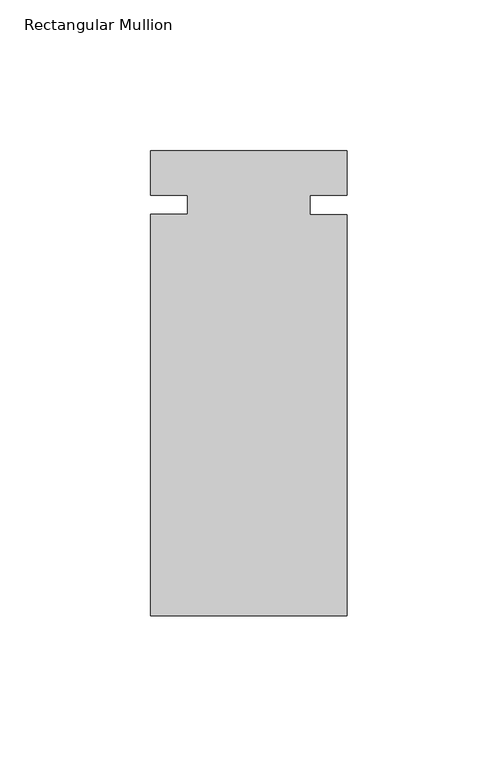
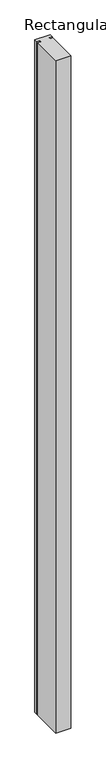
"""IFC4 building model written with IfcOpenShell, lengths in millimetres: member geometry, Rectangular Mullion."""

import ifcopenshell
import ifcopenshell.guid

model = None  # the IFC model being written
_history = None  # IfcOwnerHistory: only IFC2X3 demands one
_inside = {}  # id of a spatial element -> (the spatial element, [elements in it])
_under = {}  # id of a project, library or spatial element -> (it, [spatial elements below it])
_declared = {}  # id of a project -> (the project, [libraries it declares])
_typed = {}  # id of a type object -> (the type object, [elements of that type])
_made_of = {}  # id of a material, layer set ... -> (it, [elements and type objects made of it])


def new_model(schema):
    """Start an empty IFC model of exactly this schema.

    Asked for "IFC4X3", IfcOpenShell would pick the latest addendum, in which some entities
    have other attributes; the version numbers below select the first issue.
    IFC2X3 requires an IfcOwnerHistory on every rooted entity: one is made here for all.
    """
    global model, _history
    if schema == "IFC4X3":
        model = ifcopenshell.file(schema_version=(4, 3, 0, 0))
    else:
        model = ifcopenshell.file(schema=schema)
    _inside.clear()
    _under.clear()
    _declared.clear()
    _typed.clear()
    _made_of.clear()
    _history = None
    if model.schema == "IFC2X3":
        org = make("IfcOrganization", Name="unknown")
        user = make(
            "IfcPersonAndOrganization",
            ThePerson=make("IfcPerson", FamilyName="unknown"),
            TheOrganization=org,
        )
        app = make(
            "IfcApplication",
            ApplicationDeveloper=org,
            Version="unknown",
            ApplicationFullName="unknown",
            ApplicationIdentifier="unknown",
        )
        _history = make(
            "IfcOwnerHistory",
            OwningUser=user,
            OwningApplication=app,
            ChangeAction="ADDED",
            CreationDate=0,
        )
    return model


def make(cls, **values):
    """One entity of the class cls with the attributes given. An attribute that is None is left unset."""
    return model.create_entity(
        cls, **{name: value for name, value in values.items() if value is not None}
    )


def rooted(cls, **values):
    """An entity with a GlobalId (a new one), such as an element, a storey or a relation."""
    return make(cls, GlobalId=ifcopenshell.guid.new(), OwnerHistory=_history, **values)


def si_unit(unit_type, name, prefix=None):
    """IfcSIUnit, for example si_unit("LENGTHUNIT", "METRE", prefix="MILLI")."""
    return make("IfcSIUnit", UnitType=unit_type, Prefix=prefix, Name=name)


def assignment(units):
    """IfcUnitAssignment: the units of a project."""
    return None if units is None else make("IfcUnitAssignment", Units=units)


def point(xyz):
    """IfcCartesianPoint."""
    return None if xyz is None else make("IfcCartesianPoint", Coordinates=xyz)


def direction(xyz):
    """IfcDirection."""
    return None if xyz is None else make("IfcDirection", DirectionRatios=xyz)


def frame(location, z_axis=None, x_axis=None):
    """IfcAxis2Placement3D, a coordinate frame: its origin and axes. An axis left out is left unset."""
    return make(
        "IfcAxis2Placement3D",
        Location=point(location),
        Axis=direction(z_axis),
        RefDirection=direction(x_axis),
    )


def origin():
    """The frame at (0, 0, 0) with its axes left unset."""
    return frame((0.0, 0.0, 0.0))


def place(relative_to, where):
    """IfcLocalPlacement: puts the frame where relative to a parent placement (None: the world)."""
    return make(
        "IfcLocalPlacement", PlacementRelTo=relative_to, RelativePlacement=where
    )


def context(
    kind, dimensions, precision=None, world=None, true_north=None, identifier=None
):
    """IfcGeometricRepresentationContext, for example the 3D "Model" context."""
    return make(
        "IfcGeometricRepresentationContext",
        ContextIdentifier=identifier,
        ContextType=kind,
        CoordinateSpaceDimension=dimensions,
        Precision=precision,
        WorldCoordinateSystem=world,
        TrueNorth=true_north,
    )


def project(units=None, contexts=None):
    """IfcProject with its units and contexts."""
    return rooted(
        "IfcProject",
        Name="project",
        RepresentationContexts=contexts,
        UnitsInContext=assignment(units),
    )


def spatial(cls, under=None, at=None, **own):
    """A site, building, storey or space (cls), placed at a placement, below another one or the project."""
    s = rooted(cls, ObjectPlacement=at, **own)
    if under is not None:
        _under.setdefault(under.id(), (under, []))[1].append(s)
    return s


def polyline(points):
    """IfcPolyline through the points."""
    return make("IfcPolyline", Points=[point(p) for p in points])


def outline(outer, holes=None, kind="AREA"):
    """IfcArbitraryClosedProfileDef: a profile drawn as a closed curve; with holes, ...WithVoids."""
    if holes is None:
        return make("IfcArbitraryClosedProfileDef", ProfileType=kind, OuterCurve=outer)
    return make(
        "IfcArbitraryProfileDefWithVoids",
        ProfileType=kind,
        OuterCurve=outer,
        InnerCurves=holes,
    )


def extrude(swept, where, along, depth):
    """IfcExtrudedAreaSolid: the profile swept, set in the frame where, extruded along a direction by depth."""
    return make(
        "IfcExtrudedAreaSolid",
        SweptArea=swept,
        Position=where,
        ExtrudedDirection=direction(along),
        Depth=depth,
    )


def shape(context_of_items, identifier, shape_type, items):
    """IfcShapeRepresentation: the items that make up one representation, for example the "Body"."""
    return make(
        "IfcShapeRepresentation",
        ContextOfItems=context_of_items,
        RepresentationIdentifier=identifier,
        RepresentationType=shape_type,
        Items=items,
    )


def source(mapping_origin, context_of_items, identifier, shape_type, items):
    """IfcRepresentationMap: a shape defined once, which mapped items show again and again."""
    return make(
        "IfcRepresentationMap",
        MappingOrigin=mapping_origin,
        MappedRepresentation=shape(context_of_items, identifier, shape_type, items),
    )


def transform(
    local_origin,
    x_axis=None,
    y_axis=None,
    z_axis=None,
    scale=None,
    scale2=None,
    scale3=None,
    uniform=True,
):
    """IfcCartesianTransformationOperator3D, or its non-uniform kind. x_axis, y_axis, z_axis: its Axis1, 2, 3."""
    if uniform:
        return make(
            "IfcCartesianTransformationOperator3D",
            Axis1=direction(x_axis),
            Axis2=direction(y_axis),
            LocalOrigin=point(local_origin),
            Scale=scale,
            Axis3=direction(z_axis),
        )
    return make(
        "IfcCartesianTransformationOperator3DnonUniform",
        Axis1=direction(x_axis),
        Axis2=direction(y_axis),
        LocalOrigin=point(local_origin),
        Scale=scale,
        Axis3=direction(z_axis),
        Scale2=scale2,
        Scale3=scale3,
    )


def mapped(mapping_source, mapping_target):
    """IfcMappedItem: shows the shape of a source again, moved by a transform."""
    return make(
        "IfcMappedItem", MappingSource=mapping_source, MappingTarget=mapping_target
    )


def made_of(thing, what):
    """Note that an element or type object is made of a material, layer set ...; save() writes the relation."""
    if what is not None:
        _made_of.setdefault(what.id(), (what, []))[1].append(thing)
    return thing


def element(
    cls,
    number,
    at=None,
    inside=None,
    cuts=None,
    type_object=None,
    material=None,
    context=None,
    identifier="Body",
    shape_type=None,
    held_by="IfcProductDefinitionShape",
    body=None,
    shapes=None,
    **own,
):
    """One element of the class cls, such as IfcWall. Its Tag is "e" and its number.

    at: its placement. inside: the storey or other place that contains it. cuts: it is an
    opening in that element (IfcRelVoidsElement). A single representation is given by context,
    identifier, shape_type and body (its items); several are given by shapes. held_by: the class
    of the entity that holds the representations. save() writes the other relations.
    """
    e = rooted(cls, Tag="e%d" % number, ObjectPlacement=at, **own)
    if body is not None:
        shapes = [shape(context, identifier, shape_type, body)]
    if shapes is not None:
        e.Representation = make(held_by, Representations=shapes)
    if inside is not None:
        _inside.setdefault(inside.id(), (inside, []))[1].append(e)
    if cuts is not None:
        rooted(
            "IfcRelVoidsElement", RelatingBuildingElement=cuts, RelatedOpeningElement=e
        )
    if type_object is not None:
        _typed.setdefault(type_object.id(), (type_object, []))[1].append(e)
    return made_of(e, material)


def aggregate(whole, parts):
    """IfcRelAggregates: a whole, such as a stair, and the parts it consists of."""
    return rooted("IfcRelAggregates", RelatingObject=whole, RelatedObjects=parts)


def save(model, path):
    """Write the relations noted so far, then the file.

    IfcRelAggregates (storeys below a building ...), IfcRelContainedInSpatialStructure (elements
    in a storey), IfcRelDefinesByType, IfcRelAssociatesMaterial and IfcRelDeclares: one each for
    every whole, place, type object, material and project.
    """
    for whole, parts in _under.values():
        aggregate(whole, parts)
    for where, things in _inside.values():
        rooted(
            "IfcRelContainedInSpatialStructure",
            RelatedElements=things,
            RelatingStructure=where,
        )
    for kind, things in _typed.values():
        rooted("IfcRelDefinesByType", RelatedObjects=things, RelatingType=kind)
    for what, things in _made_of.values():
        rooted("IfcRelAssociatesMaterial", RelatedObjects=things, RelatingMaterial=what)
    for by, libraries in _declared.values():
        rooted("IfcRelDeclares", RelatingContext=by, RelatedDefinitions=libraries)
    model.write(path)


def rectangular_mullion_c5d0b4ad(model_context):
    return source(origin(), model_context, "Body", "SweptSolid", [
        extrude(outline(polyline([(0.0, -63.2206), (-65.0748, -63.2206), (-65.0748, 69.6930553), (-52.8574, 69.6930553), (-52.8574, 75.9889177), (-65.0748, 75.9889177), (-65.0748, 90.7542), (0.0, 90.7542), (0.0, 75.9829608), (-12.192, 75.9829608), (-12.192, 69.6360614), (0.0, 69.6360614), (0.0, -63.2206)])), frame((0.0, 0.0, -3048.0), z_axis=(0.0, 0.0, 1.0), x_axis=(1.0, 0.0, 0.0)), (0.0, 0.0, 1.0), 3048.0),
    ])


if __name__ == "__main__":
    model = new_model("IFC4")
    model_context = context("Model", 3, world=origin())
    ifc_project = project(units=[si_unit("LENGTHUNIT", "METRE", prefix="MILLI")], contexts=[model_context])
    site = spatial("IfcSite", under=ifc_project)
    building = spatial("IfcBuilding", under=site)
    placement = place(None, origin())
    rectangular_mullion_shape = rectangular_mullion_c5d0b4ad(model_context)
    element("IfcMember", 1, ObjectType="Rectangular Mullion", at=placement, inside=building, context=model_context, shape_type="MappedRepresentation", body=[
        mapped(rectangular_mullion_shape, transform((0.0, 0.0, 0.0), x_axis=(1.0, 0.0, 0.0), y_axis=(0.0, 1.0, 0.0), z_axis=(0.0, 0.0, 1.0))),
    ])
    save(model, "model.ifc")
